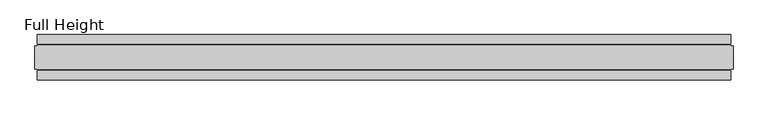
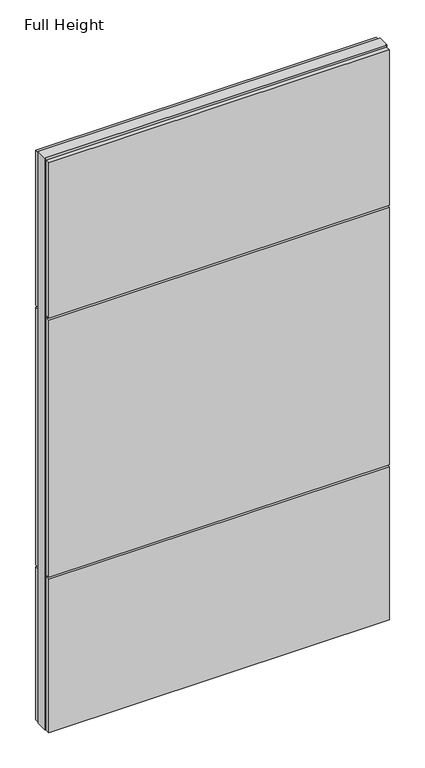
"""IFC4 building model written with IfcOpenShell, lengths in millimetres: plate geometry, Full Height."""

from ifc_helpers import new_model, si_unit, frame, origin, origin_with_axes, place, context, project, spatial, polyline, outline, extrude, source, transform, mapped, element, save


def full_height_436b7be5(model_context):
    return source(origin(), model_context, "Body", "SweptSolid", [
        extrude(outline(polyline([(757.428, 28.956), (-757.428, 28.956), (-757.428, 49.53), (757.428, 49.53), (757.428, 28.956)])), frame((0.0, 0.0, 1949.196), z_axis=(0.0, 0.0, 1.0), x_axis=(1.0, 0.0, 0.0)), (0.0, 0.0, 1.0), 729.996),
        extrude(outline(polyline([(757.428, 28.956), (-757.428, 28.956), (-757.428, 49.53), (757.428, 49.53), (757.428, 28.956)])), frame((0.0, 0.0, 729.996), z_axis=(0.0, 0.0, 1.0), x_axis=(1.0, 0.0, 0.0)), (0.0, 0.0, 1.0), 1210.056),
        extrude(outline(polyline([(757.428, 28.956), (-757.428, 28.956), (-757.428, 49.53), (757.428, 49.53), (757.428, 28.956)])), origin_with_axes(), (0.0, 0.0, 1.0), 720.852),
        extrude(outline(polyline([(757.428, -28.956), (757.428, -49.53), (-757.428, -49.53), (-757.428, -28.956), (757.428, -28.956)])), frame((0.0, 0.0, 1949.196), z_axis=(0.0, 0.0, 1.0), x_axis=(1.0, 0.0, 0.0)), (0.0, 0.0, 1.0), 729.996),
        extrude(outline(polyline([(757.428, -28.956), (757.428, -49.53), (-757.428, -49.53), (-757.428, -28.956), (757.428, -28.956)])), frame((0.0, 0.0, 729.996), z_axis=(0.0, 0.0, 1.0), x_axis=(1.0, 0.0, 0.0)), (0.0, 0.0, 1.0), 1210.056),
        extrude(outline(polyline([(757.428, -28.956), (757.428, -49.53), (-757.428, -49.53), (-757.428, -28.956), (757.428, -28.956)])), origin_with_axes(), (0.0, 0.0, 1.0), 720.852),
        extrude(outline(polyline([(757.428, -25.146), (757.428, -26.67), (-757.428, -26.67), (-757.428, -25.146), (-762.0, -25.146), (-762.0, 25.146), (-757.428, 25.146), (-757.428, 26.67), (757.428, 26.67), (757.428, 25.146), (762.0, 25.146), (762.0, -25.146), (757.428, -25.146)])), origin_with_axes(), (0.0, 0.0, 1.0), 2688.336),
    ])


if __name__ == "__main__":
    model = new_model("IFC4")
    model_context = context("Model", 3, world=origin())
    ifc_project = project(units=[si_unit("LENGTHUNIT", "METRE", prefix="MILLI")], contexts=[model_context])
    site = spatial("IfcSite", under=ifc_project)
    building = spatial("IfcBuilding", under=site)
    placement = place(None, origin())
    full_height_shape = full_height_436b7be5(model_context)
    element("IfcPlate", 1, ObjectType="Full Height", at=placement, inside=building, context=model_context, shape_type="MappedRepresentation", body=[
        mapped(full_height_shape, transform((0.0, 0.0, 0.0), x_axis=(1.0, 0.0, 0.0), y_axis=(0.0, 1.0, 0.0), z_axis=(0.0, 0.0, 1.0))),
    ])
    save(model, "model.ifc")
